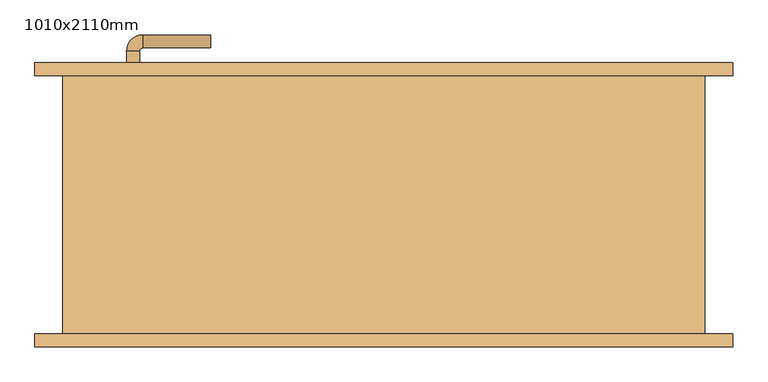
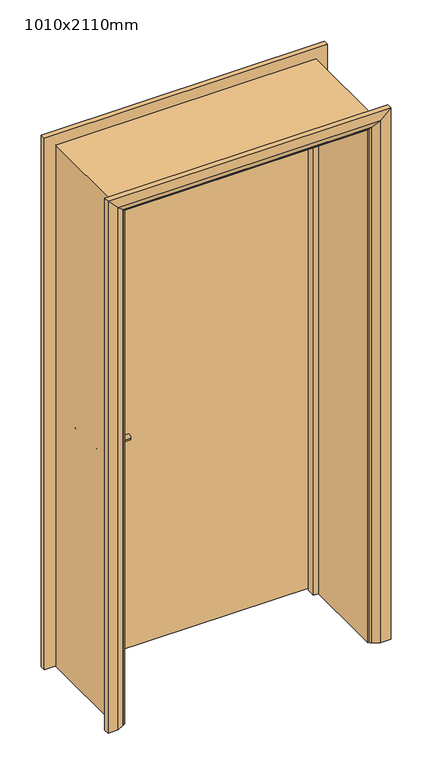
"""IFC4 building model written with IfcOpenShell, lengths in millimetres: door geometry, 1010x2110mm."""

from ifc_helpers import new_model, si_unit, point, frame, frame_2d, origin, place, context, project, spatial, polyline, circle_curve, ellipse_curve, trimmed, segment, composite_curve, outline, extrude, faceted_brep, source, transform, mapped, element, save
from ifc_brep_helpers import plane_surface, cylinder_surface, revolved_surface, advanced_brep


def door_1010x2110mm_9ee29965(model_context):
    return source(origin(), model_context, "Body", "SolidModel", [
        advanced_brep(
        [(-398.0, 154.0, 900.0), (-378.0, 154.0, 900.0), (-378.0, 124.0, 900.0), (-398.0, 124.0, 900.0), (-373.0, 119.0, 900.0), (-373.0, 99.0, 900.0), (-268.0, 99.0, 900.0), (-268.0, 119.0, 900.0)],
        [
            (0, 1, circle_curve(frame((-388.0, 154.0, 900.0), z_axis=(0.0, 1.0, 0.0), x_axis=(1.0, 0.0, 0.0)), 10.0)),
            (1, 0, circle_curve(frame((-388.0, 154.0, 900.0), z_axis=(0.0, 1.0, 0.0), x_axis=(1.0, 0.0, 0.0)), 10.0)),
            (1, 2),
            (2, 3, circle_curve(frame((-388.0, 124.0, 900.0), z_axis=(0.0, 1.0, 0.0), x_axis=(1.0, 0.0, 0.0)), 10.0)),
            (3, 0),
            (3, 2, circle_curve(frame((-388.0, 124.0, 900.0), z_axis=(0.0, 1.0, 0.0), x_axis=(1.0, 0.0, 0.0)), 10.0)),
            (4, 5, circle_curve(frame((-373.0, 109.0, 900.0), z_axis=(-1.0, 0.0, 0.0), x_axis=(0.0, 1.0, 0.0)), 10.0)),
            (5, 3, circle_curve(frame((-373.0, 124.0, 900.0), z_axis=(0.0, 0.0, -1.0), x_axis=(-1.0, 0.0, 0.0)), 25.0)),
            (2, 4, circle_curve(frame((-373.0, 124.0, 900.0), z_axis=(0.0, 0.0, 1.0), x_axis=(-1.0, 0.0, 0.0)), 5.0)),
            (5, 4, circle_curve(frame((-373.0, 109.0, 900.0), z_axis=(-1.0, 0.0, 0.0), x_axis=(0.0, 1.0, 0.0)), 10.0)),
            (6, 7, circle_curve(frame((-268.0, 109.0, 900.0), z_axis=(1.0, 0.0, 0.0), x_axis=(0.0, 1.0, 0.0)), 10.0)),
            (7, 6, circle_curve(frame((-268.0, 109.0, 900.0), z_axis=(1.0, 0.0, 0.0), x_axis=(0.0, 1.0, 0.0)), 10.0)),
            (4, 7),
            (6, 5),
        ],
        [
            plane_surface(frame((-388.0, 154.0, 900.0), z_axis=(0.0, 1.0, 0.0), x_axis=(0.0, 0.0, 1.0))),
            cylinder_surface(frame((-388.0, 154.0, 900.0), z_axis=(0.0, 1.0, 0.0), x_axis=(1.0, 0.0, 0.0)), 10.0),
            revolved_surface(trimmed(ellipse_curve(frame((-388.0, 124.0, 900.0), z_axis=(0.0, -1.0, 0.0), x_axis=(1.0, 0.0, 0.0)), 10.0, 10.0), [point((-398.0, 124.0, 900.0))], [point((-378.0, 124.0, 900.0))], True, "CARTESIAN"), (-373.0, 124.0, 900.0), (0.0, 0.0, -1.0)),
            revolved_surface(trimmed(ellipse_curve(frame((-388.0, 124.0, 900.0), z_axis=(0.0, -1.0, 0.0), x_axis=(1.0, 0.0, 0.0)), 10.0, 10.0), [point((-378.0, 124.0, 900.0))], [point((-398.0, 124.0, 900.0))], True, "CARTESIAN"), (-373.0, 124.0, 900.0), (0.0, 0.0, -1.0)),
            plane_surface(frame((-268.0, 109.0, 900.0), z_axis=(1.0, 0.0, 0.0), x_axis=(0.0, 0.0, 1.0))),
            cylinder_surface(frame((-373.0, 109.0, 900.0), z_axis=(-1.0, 0.0, 0.0), x_axis=(0.0, 1.0, 0.0)), 10.0),
        ],
        [
            (0, [[1, 2]]),
            (1, [[3, 4, 5, -2]]),
            (1, [[-5, 6, -3, -1]]),
            (2, [[7, 8, -4, 9]]),
            (3, [[10, -9, -6, -8]]),
            (4, [[11, 12]]),
            (5, [[13, -11, 14, -7]]),
            (5, [[-14, -12, -13, -10]]),
        ],
    ),
        extrude(outline(composite_curve([segment(trimmed(circle_curve(frame_2d((900.0, -390.5)), 30.0), [point((900.0, -420.5))], [point((900.0, -360.5))], False, "CARTESIAN"), True, "CONTINUOUS"), segment(trimmed(circle_curve(frame_2d((900.0, -390.5)), 30.0), [point((900.0, -360.5))], [point((900.0, -420.5))], False, "CARTESIAN"), True, "CONTINUOUS")], self_intersect=False)), frame((0.0, 154.0, 0.0), z_axis=(0.0, 1.0, 0.0), x_axis=(0.0, 0.0, 1.0)), (0.0, 0.0, 1.0), 8.0),
        advanced_brep(
        [(-398.0, 208.0, 900.0), (-378.0, 208.0, 900.0), (-398.0, 238.0, 900.0), (-378.0, 238.0, 900.0), (-373.0, 243.0, 900.0), (-373.0, 263.0, 900.0), (-268.0, 263.0, 900.0), (-268.0, 243.0, 900.0)],
        [
            (0, 1, circle_curve(frame((-388.0, 208.0, 900.0), z_axis=(0.0, -1.0, 0.0), x_axis=(1.0, 0.0, 0.0)), 10.0)),
            (1, 0, circle_curve(frame((-388.0, 208.0, 900.0), z_axis=(0.0, -1.0, 0.0), x_axis=(1.0, 0.0, 0.0)), 10.0)),
            (0, 2),
            (2, 3, circle_curve(frame((-388.0, 238.0, 900.0), z_axis=(0.0, -1.0, 0.0), x_axis=(1.0, 0.0, 0.0)), 10.0)),
            (3, 1),
            (3, 2, circle_curve(frame((-388.0, 238.0, 900.0), z_axis=(0.0, -1.0, 0.0), x_axis=(1.0, 0.0, 0.0)), 10.0)),
            (4, 3, circle_curve(frame((-373.0, 238.0, 900.0), z_axis=(0.0, 0.0, 1.0), x_axis=(-1.0, 0.0, 0.0)), 5.0)),
            (2, 5, circle_curve(frame((-373.0, 238.0, 900.0), z_axis=(0.0, 0.0, -1.0), x_axis=(-1.0, 0.0, 0.0)), 25.0)),
            (5, 4, circle_curve(frame((-373.0, 253.0, 900.0), z_axis=(-1.0, 0.0, 0.0), x_axis=(0.0, -1.0, 0.0)), 10.0)),
            (4, 5, circle_curve(frame((-373.0, 253.0, 900.0), z_axis=(-1.0, 0.0, 0.0), x_axis=(0.0, -1.0, 0.0)), 10.0)),
            (6, 7, circle_curve(frame((-268.0, 253.0, 900.0), z_axis=(1.0, 0.0, 0.0), x_axis=(0.0, -1.0, 0.0)), 10.0)),
            (7, 6, circle_curve(frame((-268.0, 253.0, 900.0), z_axis=(1.0, 0.0, 0.0), x_axis=(0.0, -1.0, 0.0)), 10.0)),
            (5, 6),
            (7, 4),
        ],
        [
            plane_surface(frame((-388.0, 208.0, 900.0), z_axis=(0.0, -1.0, 0.0), x_axis=(0.0, 0.0, 1.0))),
            cylinder_surface(frame((-388.0, 208.0, 900.0), z_axis=(0.0, -1.0, 0.0), x_axis=(1.0, 0.0, 0.0)), 10.0),
            revolved_surface(trimmed(ellipse_curve(frame((-388.0, 238.0, 900.0), z_axis=(0.0, -1.0, 0.0), x_axis=(1.0, 0.0, 0.0)), 10.0, 10.0), [point((-398.0, 238.0, 900.0))], [point((-378.0, 238.0, 900.0))], True, "CARTESIAN"), (-373.0, 238.0, 900.0), (0.0, 0.0, -1.0)),
            revolved_surface(trimmed(ellipse_curve(frame((-388.0, 238.0, 900.0), z_axis=(0.0, -1.0, 0.0), x_axis=(1.0, 0.0, 0.0)), 10.0, 10.0), [point((-378.0, 238.0, 900.0))], [point((-398.0, 238.0, 900.0))], True, "CARTESIAN"), (-373.0, 238.0, 900.0), (0.0, 0.0, -1.0)),
            plane_surface(frame((-268.0, 253.0, 900.0), z_axis=(1.0, 0.0, 0.0), x_axis=(0.0, 0.0, 1.0))),
            cylinder_surface(frame((-373.0, 253.0, 900.0), z_axis=(-1.0, 0.0, 0.0), x_axis=(0.0, -1.0, 0.0)), 10.0),
        ],
        [
            (0, [[1, 2]]),
            (1, [[-1, 3, 4, 5]]),
            (1, [[-2, -5, 6, -3]]),
            (2, [[7, -4, 8, 9]]),
            (3, [[-8, -6, -7, 10]]),
            (4, [[11, 12]]),
            (5, [[-9, 13, -12, 14]]),
            (5, [[-10, -14, -11, -13]]),
        ],
    ),
        extrude(outline(composite_curve([segment(trimmed(circle_curve(frame_2d((900.0, -390.5)), 30.0), [point((900.0, -420.5))], [point((900.0, -360.5))], False, "CARTESIAN"), True, "CONTINUOUS"), segment(trimmed(circle_curve(frame_2d((900.0, -390.5)), 30.0), [point((900.0, -360.5))], [point((900.0, -420.5))], False, "CARTESIAN"), True, "CONTINUOUS")], self_intersect=False)), frame((0.0, 200.0, 0.0), z_axis=(0.0, 1.0, 0.0), x_axis=(0.0, 0.0, 1.0)), (0.0, 0.0, 1.0), 8.0),
        extrude(outline(polyline([(463.0, 162.0), (-463.0, 162.0), (-463.0, 200.0), (463.0, 200.0), (463.0, 162.0)])), frame((0.0, 0.0, 8.0), z_axis=(0.0, 0.0, 1.0), x_axis=(1.0, 0.0, 0.0)), (0.0, 0.0, 1.0), 2060.0),
        advanced_brep(
        [(540.0, 220.0, 0.0), (540.0, 200.0, 0.0), (470.0, 200.0, 0.0), (474.0, 206.0, 0.0), (500.0, 220.0, 0.0), (540.0, 220.0, 2145.0), (540.0, 200.0, 2145.0), (-540.0, 200.0, 2145.0), (-540.0, 200.0, 0.0), (-470.0, 200.0, 0.0), (-470.0, 200.0, 2075.0), (470.0, 200.0, 2075.0), (474.0, 206.0, 2079.0), (500.0, 220.0, 2105.0), (-500.0, 220.0, 2105.0), (-500.0, 220.0, 0.0), (-540.0, 220.0, 0.0), (-540.0, 220.0, 2145.0), (-474.0, 206.0, 2079.0), (-474.0, 206.0, 0.0)],
        [
            (0, 1),
            (1, 2),
            (2, 3, circle_curve(frame((478.0, 199.0, 0.0), z_axis=(0.0, 0.0, -1.0), x_axis=(1.0, 0.0, 0.0)), 8.0622577)),
            (3, 4),
            (4, 0),
            (0, 5),
            (5, 6),
            (6, 1),
            (6, 7),
            (7, 8),
            (8, 9),
            (9, 10),
            (10, 11),
            (11, 2),
            (11, 12, ellipse_curve(frame((478.0, 199.0, 2083.0), z_axis=(0.7071067811865475, 0.0, -0.7071067811865475), x_axis=(-0.7071067811865474, 0.0, -0.7071067811865476)), 11.4017543, 8.0622577)),
            (12, 3),
            (12, 13),
            (13, 4),
            (13, 14),
            (14, 15),
            (15, 16),
            (16, 17),
            (17, 5),
            (17, 7),
            (10, 18, ellipse_curve(frame((-478.0, 199.0, 2083.0), z_axis=(0.7071067811865475, 0.0, 0.7071067811865475), x_axis=(0.7071067811865476, 0.0, -0.7071067811865474)), 11.4017543, 8.0622577)),
            (18, 12),
            (18, 14),
            (15, 19),
            (19, 9, circle_curve(frame((-478.0, 199.0, 0.0), z_axis=(0.0, 0.0, -1.0), x_axis=(-1.0, 0.0, 0.0)), 8.0622577)),
            (8, 16),
            (19, 18),
        ],
        [
            plane_surface(frame((470.0, 200.0, 0.0), z_axis=(0.0, 0.0, -1.0), x_axis=(0.0, -1.0, 0.0))),
            plane_surface(frame((540.0, 220.0, 0.0), z_axis=(1.0, 0.0, 0.0), x_axis=(0.0, 0.0, 1.0))),
            plane_surface(frame((540.0, 200.0, 0.0), z_axis=(0.0, -1.0, 0.0), x_axis=(0.0, 0.0, 1.0))),
            cylinder_surface(frame((478.0, 199.0, 0.0), z_axis=(0.0, 0.0, -1.0), x_axis=(1.0, 0.0, 0.0)), 8.0622577),
            plane_surface(frame((474.0, 206.0, 0.0), z_axis=(-0.4740998230350126, 0.880471099922178, 0.0), x_axis=(0.0, 0.0, 1.0))),
            plane_surface(frame((500.0, 220.0, 0.0), z_axis=(0.0, 1.0, 0.0), x_axis=(0.0, 0.0, 1.0))),
            plane_surface(frame((540.0, 220.0, 2145.0), z_axis=(0.0, 0.0, 1.0), x_axis=(-1.0, 0.0, 0.0))),
            cylinder_surface(frame((470.0, 199.0, 2083.0), z_axis=(1.0, 0.0, 0.0), x_axis=(0.0, 0.0, 1.0)), 8.0622577),
            plane_surface(frame((474.0, 206.0, 2079.0), z_axis=(0.0, 0.8804710999221764, -0.4740998230350154), x_axis=(-1.0, 0.0, 0.0))),
            plane_surface(frame((-470.0, 200.0, 0.0), z_axis=(0.0, 0.0, -1.0), x_axis=(0.0, -1.0, 0.0))),
            plane_surface(frame((-540.0, 220.0, 2145.0), z_axis=(-1.0, 0.0, 0.0), x_axis=(0.0, 0.0, -1.0))),
            cylinder_surface(frame((-478.0, 199.0, 2075.0), z_axis=(0.0, 0.0, 1.0), x_axis=(-1.0, 0.0, 0.0)), 8.0622577),
            plane_surface(frame((-474.0, 206.0, 2079.0), z_axis=(0.47409982303501824, 0.8804710999221749, 0.0), x_axis=(0.0, 0.0, -1.0))),
        ],
        [
            (0, [[1, 2, 3, 4, 5]]),
            (1, [[-1, 6, 7, 8]]),
            (2, [[-2, -8, 9, 10, 11, 12, 13, 14]]),
            (3, [[-3, -14, 15, 16]]),
            (4, [[-4, -16, 17, 18]]),
            (5, [[-5, -18, 19, 20, 21, 22, 23, -6]]),
            (6, [[-7, -23, 24, -9]]),
            (7, [[-15, -13, 25, 26]]),
            (8, [[-17, -26, 27, -19]]),
            (9, [[-21, 28, 29, -11, 30]]),
            (10, [[-24, -22, -30, -10]]),
            (11, [[-25, -12, -29, 31]]),
            (12, [[-27, -31, -28, -20]]),
        ],
    ),
        extrude(outline(polyline([(0.0, -465.0), (0.0, -446.0), (2051.0, -446.0), (2051.0, 446.0), (0.0, 446.0), (0.0, 465.0), (2070.0, 465.0), (2070.0, -465.0), (0.0, -465.0)])), frame((0.0, 128.0, 0.0), z_axis=(0.0, 1.0, 0.0), x_axis=(0.0, 0.0, 1.0)), (0.0, 0.0, 1.0), 32.0),
        advanced_brep(
        [(-540.0, -220.0, 0.0), (-540.0, -200.0, 0.0), (-470.0, -200.0, 0.0), (-474.0, -206.0, 0.0), (-500.0, -220.0, 0.0), (-540.0, -220.0, 2145.0), (-540.0, -200.0, 2145.0), (-470.0, -200.0, 2075.0), (-474.0, -206.0, 2079.0), (-500.0, -220.0, 2105.0), (540.0, -220.0, 2145.0), (540.0, -200.0, 2145.0), (470.0, -200.0, 2075.0), (474.0, -206.0, 2079.0), (500.0, -220.0, 2105.0), (540.0, -220.0, 0.0), (500.0, -220.0, 0.0), (474.0, -206.0, 0.0), (470.0, -200.0, 0.0), (540.0, -200.0, 0.0)],
        [
            (0, 1),
            (1, 2),
            (2, 3, circle_curve(frame((-478.0, -199.0, 0.0), z_axis=(0.0, 0.0, -1.0), x_axis=(-1.0, 0.0, 0.0)), 8.0622577)),
            (3, 4),
            (4, 0),
            (0, 5),
            (5, 6),
            (6, 1),
            (6, 7),
            (7, 2),
            (7, 8, ellipse_curve(frame((-478.0, -199.0, 2083.0), z_axis=(-0.7071067811865475, 0.0, -0.7071067811865475), x_axis=(0.7071067811865474, 0.0, -0.7071067811865476)), 11.4017543, 8.0622577)),
            (8, 3),
            (8, 9),
            (9, 4),
            (9, 5),
            (5, 10),
            (10, 11),
            (11, 6),
            (11, 12),
            (12, 7),
            (12, 13, ellipse_curve(frame((478.0, -199.0, 2083.0), z_axis=(-0.7071067811865475, 0.0, 0.7071067811865475), x_axis=(-0.7071067811865476, 0.0, -0.7071067811865474)), 11.4017543, 8.0622577)),
            (13, 8),
            (13, 14),
            (14, 9),
            (14, 10),
            (15, 16),
            (16, 17),
            (17, 18, circle_curve(frame((478.0, -199.0, 0.0), z_axis=(0.0, 0.0, -1.0), x_axis=(1.0, 0.0, 0.0)), 8.0622577)),
            (18, 19),
            (19, 15),
            (10, 15),
            (19, 11),
            (18, 12),
            (17, 13),
            (16, 14),
        ],
        [
            plane_surface(frame((-470.0, -272.8010989, 0.0), z_axis=(0.0, 0.0, -1.0), x_axis=(1.0, 0.0, 0.0))),
            plane_surface(frame((-540.0, -220.0, 0.0), z_axis=(-1.0, 0.0, 0.0), x_axis=(0.0, 0.0, 1.0))),
            plane_surface(frame((-540.0, -200.0, 0.0), z_axis=(0.0, 1.0, 0.0), x_axis=(0.0, 0.0, 1.0))),
            cylinder_surface(frame((-478.0, -199.0, 0.0), z_axis=(0.0, 0.0, -1.0), x_axis=(-1.0, 0.0, 0.0)), 8.0622577),
            plane_surface(frame((-474.0, -206.0, 0.0), z_axis=(0.4740998230350183, -0.8804710999221749, 0.0), x_axis=(0.0, 0.0, 1.0))),
            plane_surface(frame((-500.0, -220.0, 0.0), z_axis=(0.0, -1.0, 0.0), x_axis=(0.0, 0.0, 1.0))),
            plane_surface(frame((-540.0, -220.0, 2145.0), z_axis=(0.0, 0.0, 1.0), x_axis=(1.0, 0.0, 0.0))),
            plane_surface(frame((-540.0, -200.0, 2145.0), z_axis=(0.0, 1.0, 0.0), x_axis=(1.0, 0.0, 0.0))),
            cylinder_surface(frame((-470.0, -199.0, 2083.0), z_axis=(-1.0, 0.0, 0.0), x_axis=(0.0, 0.0, 1.0)), 8.0622577),
            plane_surface(frame((-474.0, -206.0, 2079.0), z_axis=(0.0, -0.8804710999221749, -0.4740998230350183), x_axis=(1.0, 0.0, 0.0))),
            plane_surface(frame((-500.0, -220.0, 2105.0), z_axis=(0.0, -1.0, 0.0), x_axis=(1.0, 0.0, 0.0))),
            plane_surface(frame((470.0, -272.8010989, 0.0), z_axis=(0.0, 0.0, -1.0), x_axis=(-1.0, 0.0, 0.0))),
            plane_surface(frame((540.0, -220.0, 2145.0), z_axis=(1.0, 0.0, 0.0), x_axis=(0.0, 0.0, -1.0))),
            plane_surface(frame((540.0, -200.0, 2145.0), z_axis=(0.0, 1.0, 0.0), x_axis=(0.0, 0.0, -1.0))),
            cylinder_surface(frame((478.0, -199.0, 2075.0), z_axis=(0.0, 0.0, 1.0), x_axis=(1.0, 0.0, 0.0)), 8.0622577),
            plane_surface(frame((474.0, -206.0, 2079.0), z_axis=(-0.4740998230350183, -0.8804710999221749, 0.0), x_axis=(0.0, 0.0, -1.0))),
            plane_surface(frame((500.0, -220.0, 2105.0), z_axis=(0.0, -1.0, 0.0), x_axis=(0.0, 0.0, -1.0))),
        ],
        [
            (0, [[1, 2, 3, 4, 5]]),
            (1, [[-1, 6, 7, 8]]),
            (2, [[-2, -8, 9, 10]]),
            (3, [[-3, -10, 11, 12]]),
            (4, [[-4, -12, 13, 14]]),
            (5, [[-5, -14, 15, -6]]),
            (6, [[-7, 16, 17, 18]]),
            (7, [[-9, -18, 19, 20]]),
            (8, [[-11, -20, 21, 22]]),
            (9, [[-13, -22, 23, 24]]),
            (10, [[-15, -24, 25, -16]]),
            (11, [[26, 27, 28, 29, 30]]),
            (12, [[-17, 31, -30, 32]]),
            (13, [[-19, -32, -29, 33]]),
            (14, [[-21, -33, -28, 34]]),
            (15, [[-23, -34, -27, 35]]),
            (16, [[-25, -35, -26, -31]]),
        ],
    ),
        faceted_brep([(-465.0, 200.0, 0.0), (-465.0, -200.0, 0.0), (-497.0, -200.0, 0.0), (-497.0, 200.0, 0.0), (-465.0, 200.0, 2070.0), (-465.0, -200.0, 2070.0), (-497.0, -200.0, 2102.0), (-497.0, 200.0, 2102.0), (465.0, 200.0, 2070.0), (465.0, -200.0, 2070.0), (497.0, -200.0, 2102.0), (497.0, 200.0, 2102.0), (465.0, 200.0, 0.0), (497.0, 200.0, 0.0), (497.0, -200.0, 0.0), (465.0, -200.0, 0.0)], [[[0, 1, 2, 3]], [[1, 0, 4, 5]], [[2, 1, 5, 6]], [[3, 2, 6, 7]], [[0, 3, 7, 4]], [[5, 4, 8, 9]], [[6, 5, 9, 10]], [[7, 6, 10, 11]], [[4, 7, 11, 8]], [[12, 13, 14, 15]], [[9, 8, 12, 15]], [[10, 9, 15, 14]], [[11, 10, 14, 13]], [[8, 11, 13, 12]]]),
    ])


if __name__ == "__main__":
    model = new_model("IFC4")
    model_context = context("Model", 3, world=origin())
    ifc_project = project(units=[si_unit("LENGTHUNIT", "METRE", prefix="MILLI")], contexts=[model_context])
    site = spatial("IfcSite", under=ifc_project)
    building = spatial("IfcBuilding", under=site)
    placement = place(None, origin())
    door_1010x2110mm_shape = door_1010x2110mm_9ee29965(model_context)
    element("IfcDoor", 1, ObjectType="1010x2110mm", at=placement, inside=building, context=model_context, shape_type="MappedRepresentation", body=[
        mapped(door_1010x2110mm_shape, transform((0.0, 0.0, 0.0), x_axis=(1.0, 0.0, 0.0), y_axis=(0.0, 1.0, 0.0), z_axis=(0.0, 0.0, 1.0))),
    ])
    save(model, "model.ifc")
